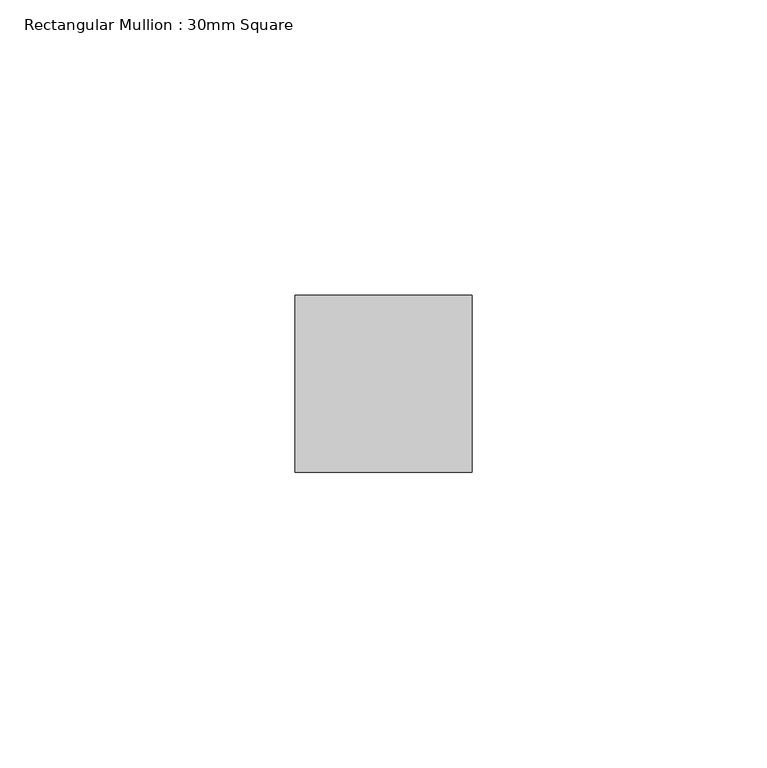
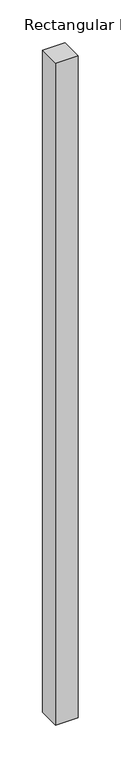
"""IFC4 building model written with IfcOpenShell, lengths in millimetres: member geometry, Rectangular Mullion : 30mm Square."""

from ifc_helpers import new_model, si_unit, frame, origin, place, context, project, spatial, polyline, outline, extrude, source, transform, mapped, element, save


def rectangular_mullion_30mm_square_aa06693f(model_context):
    return source(origin(), model_context, "Body", "SweptSolid", [
        extrude(outline(polyline([(15.0, 15.0), (15.0, -15.0), (-15.0, -15.0), (-15.0, 15.0), (15.0, 15.0)])), frame((0.0, 0.0, -940.1405838), z_axis=(0.0, 0.0, 1.0), x_axis=(1.0, 0.0, 0.0)), (0.0, 0.0, 1.0), 940.1405838),
    ])


if __name__ == "__main__":
    model = new_model("IFC4")
    model_context = context("Model", 3, world=origin())
    ifc_project = project(units=[si_unit("LENGTHUNIT", "METRE", prefix="MILLI")], contexts=[model_context])
    site = spatial("IfcSite", under=ifc_project)
    building = spatial("IfcBuilding", under=site)
    placement = place(None, origin())
    rectangular_mullion_30mm_square_shape = rectangular_mullion_30mm_square_aa06693f(model_context)
    element("IfcMember", 1, ObjectType="Rectangular Mullion : 30mm Square", at=placement, inside=building, context=model_context, shape_type="MappedRepresentation", body=[
        mapped(rectangular_mullion_30mm_square_shape, transform((0.0, 0.0, 0.0), x_axis=(1.0, 0.0, 0.0), y_axis=(0.0, 1.0, 0.0), z_axis=(0.0, 0.0, 1.0))),
    ])
    save(model, "model.ifc")
